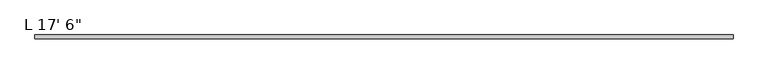
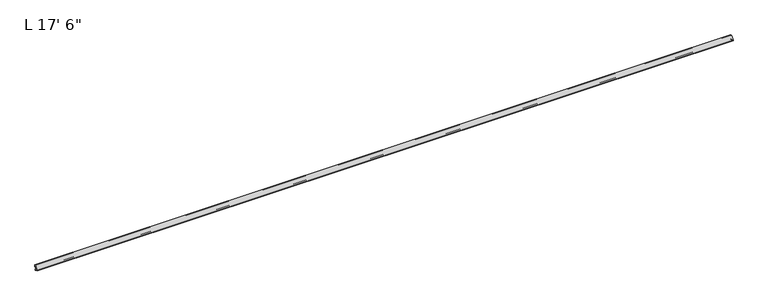
"""IFC4 building model written with IfcOpenShell, lengths in millimetres: proxy geometry."""

from ifc_helpers import new_model, si_unit, point, frame, frame_2d, origin, place, context, project, spatial, polyline, circle_curve, trimmed, segment, composite_curve, outline, extrude, source, transform, mapped, element, save


def proxy_ffc5fac9(model_context):
    return source(origin(), model_context, "Body", "SweptSolid", [
        extrude(outline(composite_curve([segment(polyline([(-9.9409866, 13.2079309), (-5.8977295, 11.6146251), (-5.8977295, 9.99082), (-5.5657997, 9.2789941), (-5.9337229, 8.5870312), (-5.5986989, 7.8345551), (-6.0051261, 7.0980568), (-5.5991801, 6.4224493), (-5.9294957, 5.7140853), (-5.5944321, 4.9955392), (-5.934397, 4.2664822), (-5.6042879, 3.5585611), (-5.9631778, 2.7889192), (-5.6321023, 2.0789255), (-5.9684988, 1.3575208), (-5.5808077, 0.6581076), (-6.1091347, 0.0)]), True, "CONTINUOUS"), segment(trimmed(circle_curve(frame_2d((-7.0030343, -1.113481)), 1.4278993), [point((-6.1091347, 0.0))], [point((-7.8893268, 0.0060645))], True, "CARTESIAN"), True, "CONTINUOUS"), segment(polyline([(-7.8893268, 0.0060645), (-8.1553262, 0.8894873), (-7.9862027, 1.6851507), (-8.1786509, 2.4848291), (-7.9880038, 3.3817532), (-8.1776372, 4.2927955), (-7.9834986, 5.0714427), (-8.1655958, 5.9462793), (-7.972318, 6.7214745), (-8.1398857, 7.5265082), (-7.9490433, 8.2919351), (-8.1699585, 9.0623577), (-7.9637322, 10.0325759), (-9.6959523, 10.0325759)]), True, "CONTINUOUS"), segment(trimmed(circle_curve(frame_2d((-11.2834506, 10.0348548)), 1.5875), [point((-9.6959523, 10.0325759))], [point((-11.2811717, 11.6223531))], True, "CARTESIAN"), True, "CONTINUOUS"), segment(polyline([(-11.2811717, 11.6223531), (-14.0370689, 11.6263093)]), True, "CONTINUOUS"), segment(trimmed(circle_curve(frame_2d((-15.6117367, 11.7195553)), 1.5774262), [point((-14.0370689, 11.6263093))], [point((-17.1866657, 11.6308306))], False, "CARTESIAN"), True, "CONTINUOUS"), segment(polyline([(-17.1866657, 11.6308306), (-21.7713609, 11.6374121)]), True, "CONTINUOUS"), segment(trimmed(circle_curve(frame_2d((-23.3461593, 11.6396728)), 1.5748), [point((-21.7713609, 11.6374121))], [point((-24.9209577, 11.6419334))], False, "CARTESIAN"), True, "CONTINUOUS"), segment(polyline([(-24.9209577, 11.6419334), (-28.661793, 11.6473035)]), True, "CONTINUOUS"), segment(trimmed(circle_curve(frame_2d((-0.0868224, 11.6062833)), 28.575), [point((-28.661793, 11.6473035))], [point((0.0, 40.1811514))], False, "CARTESIAN"), True, "CONTINUOUS"), segment(polyline([(0.0, 40.1811514), (0.0, 25.0974594)]), True, "CONTINUOUS"), segment(trimmed(circle_curve(frame_2d((-0.79502, 25.0974594)), 0.79502), [point((0.0, 25.0974594))], [point((-0.7961613, 24.3024403))], False, "CARTESIAN"), True, "CONTINUOUS"), segment(polyline([(-0.7961613, 24.3024403), (-2.0369875, 24.3042215), (-2.0369875, 25.2753318), (-1.8001518, 26.1592146), (-2.0369875, 27.0430975), (-1.8001518, 27.9269803), (-2.0782154, 28.964728)]), True, "CONTINUOUS"), segment(trimmed(circle_curve(frame_2d((-3.1778658, 25.8587375)), 3.2949063), [point((-2.0782154, 28.964728))], [point((-4.3772219, 28.9276058))], True, "CARTESIAN"), True, "CONTINUOUS"), segment(polyline([(-4.3772219, 28.9276058), (-4.6453387, 27.9269803), (-4.408503, 27.0430975), (-4.6453387, 26.1592146), (-4.408503, 25.2753318), (-4.408503, 24.3218465)]), True, "CONTINUOUS"), segment(trimmed(circle_curve(frame_2d((-4.6497232, 25.6652219)), 1.3648606), [point((-4.408503, 24.3218465))], [point((-5.8942106, 25.1047795))], False, "CARTESIAN"), True, "CONTINUOUS"), segment(polyline([(-5.8942106, 25.1047795), (-5.8886785, 28.9585271)]), True, "CONTINUOUS"), segment(trimmed(circle_curve(frame_2d((-4.3011801, 28.9562482)), 1.5875), [point((-5.8886785, 28.9585271))], [point((-4.8423977, 30.4486422))], False, "CARTESIAN"), True, "CONTINUOUS"), segment(trimmed(circle_curve(frame_2d((-3.1778658, 25.8587375)), 4.8824063), [point((-4.8423977, 30.4486422))], [point((-3.2187765, 30.7409724))], False, "CARTESIAN"), True, "CONTINUOUS"), segment(trimmed(circle_curve(frame_2d((-3.2320785, 32.3284167)), 1.5875), [point((-3.2187765, 30.7409724))], [point((-1.6445801, 32.3261378))], True, "CARTESIAN"), True, "CONTINUOUS"), segment(polyline([(-1.6445801, 32.3261378), (-1.6381444, 36.8093175)]), True, "CONTINUOUS"), segment(trimmed(circle_curve(frame_2d((-3.2256427, 36.8115964)), 1.5875), [point((-1.6381444, 36.8093175))], [point((-3.421819, 38.3869285))], True, "CARTESIAN"), True, "CONTINUOUS"), segment(trimmed(circle_curve(frame_2d((-0.0868224, 11.6062833)), 26.9875), [point((-3.421819, 38.3869285))], [point((-26.8577822, 15.0181548))], True, "CARTESIAN"), True, "CONTINUOUS"), segment(trimmed(circle_curve(frame_2d((-25.2830199, 14.8174564)), 1.5875), [point((-26.8577822, 15.0181548))], [point((-25.2852988, 13.2299581))], True, "CARTESIAN"), True, "CONTINUOUS"), segment(polyline([(-25.2852988, 13.2299581), (-9.9409866, 13.2079309)]), True, "CONTINUOUS")], self_intersect=False)), frame((0.0, 0.0, 0.0), z_axis=(1.0, 0.0, 0.0), x_axis=(0.0, 1.0, 0.0)), (0.0, 0.0, 1.0), 5334.0),
    ])


if __name__ == "__main__":
    model = new_model("IFC4")
    model_context = context("Model", 3, world=origin())
    ifc_project = project(units=[si_unit("LENGTHUNIT", "METRE", prefix="MILLI")], contexts=[model_context])
    site = spatial("IfcSite", under=ifc_project)
    building = spatial("IfcBuilding", under=site)
    placement = place(None, origin())
    proxy_shape = proxy_ffc5fac9(model_context)
    element("IfcBuildingElementProxy", 1, Name="L 17' 6\"", ObjectType="L 17' 6\"", at=placement, inside=building, context=model_context, shape_type="MappedRepresentation", body=[
        mapped(proxy_shape, transform((0.0, 0.0, 0.0), x_axis=(1.0, 0.0, 0.0), y_axis=(0.0, 1.0, 0.0), z_axis=(0.0, 0.0, 1.0))),
    ])
    save(model, "model.ifc")
